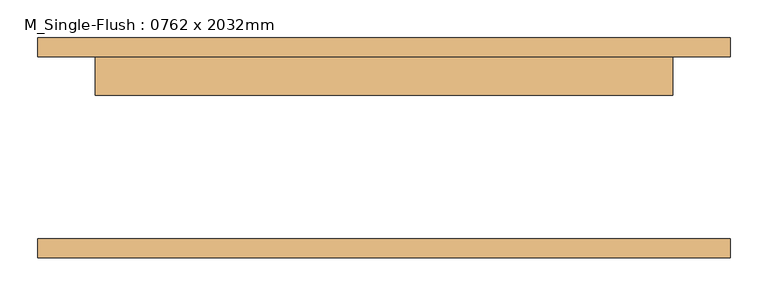
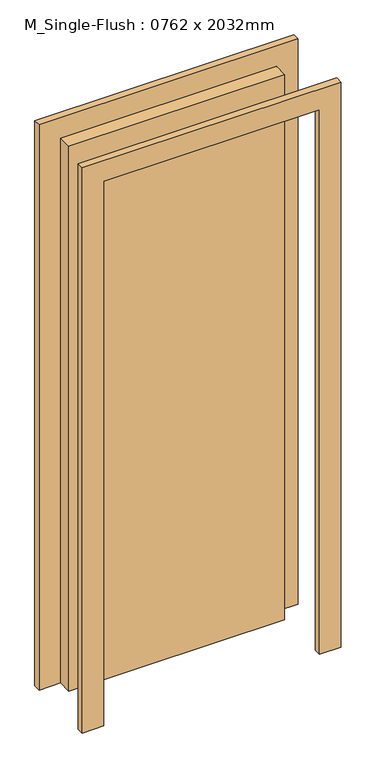
"""IFC4 building model written with IfcOpenShell, lengths in millimetres: door geometry, M_Single-Flush : 0762 x 2032mm."""

from ifc_helpers import new_model, si_unit, frame, origin, origin_with_axes, place, context, project, spatial, polyline, outline, extrude, source, transform, mapped, element, save


def m_single_flush_0762_x_2032mm_e08dde95(model_context):
    return source(origin(), model_context, "Body", "SweptSolid", [
        extrude(outline(polyline([(2108.0, -457.0), (0.0, -457.0), (0.0, -381.0), (2032.0, -381.0), (2032.0, 381.0), (0.0, 381.0), (0.0, 457.0), (2108.0, 457.0), (2108.0, -457.0)])), frame((0.0, 120.0, 0.0), z_axis=(0.0, 1.0, 0.0), x_axis=(0.0, 0.0, 1.0)), (0.0, 0.0, 1.0), 25.0),
        extrude(outline(polyline([(2108.0, 457.0), (2108.0, -457.0), (0.0, -457.0), (0.0, -381.0), (2032.0, -381.0), (2032.0, 381.0), (0.0, 381.0), (0.0, 457.0), (2108.0, 457.0)])), frame((0.0, -145.0, 0.0), z_axis=(0.0, 1.0, 0.0), x_axis=(0.0, 0.0, 1.0)), (0.0, 0.0, 1.0), 25.0),
        extrude(outline(polyline([(381.0, 69.0), (-381.0, 69.0), (-381.0, 120.0), (381.0, 120.0), (381.0, 69.0)])), origin_with_axes(), (0.0, 0.0, 1.0), 2032.0),
    ])


if __name__ == "__main__":
    model = new_model("IFC4")
    model_context = context("Model", 3, world=origin())
    ifc_project = project(units=[si_unit("LENGTHUNIT", "METRE", prefix="MILLI")], contexts=[model_context])
    site = spatial("IfcSite", under=ifc_project)
    building = spatial("IfcBuilding", under=site)
    placement = place(None, origin())
    m_single_flush_0762_x_2032mm_shape = m_single_flush_0762_x_2032mm_e08dde95(model_context)
    element("IfcDoor", 1, ObjectType="M_Single-Flush : 0762 x 2032mm", at=placement, inside=building, context=model_context, shape_type="MappedRepresentation", body=[
        mapped(m_single_flush_0762_x_2032mm_shape, transform((0.0, 0.0, 0.0), x_axis=(1.0, 0.0, 0.0), y_axis=(0.0, 1.0, 0.0), z_axis=(0.0, 0.0, 1.0))),
    ])
    save(model, "model.ifc")
